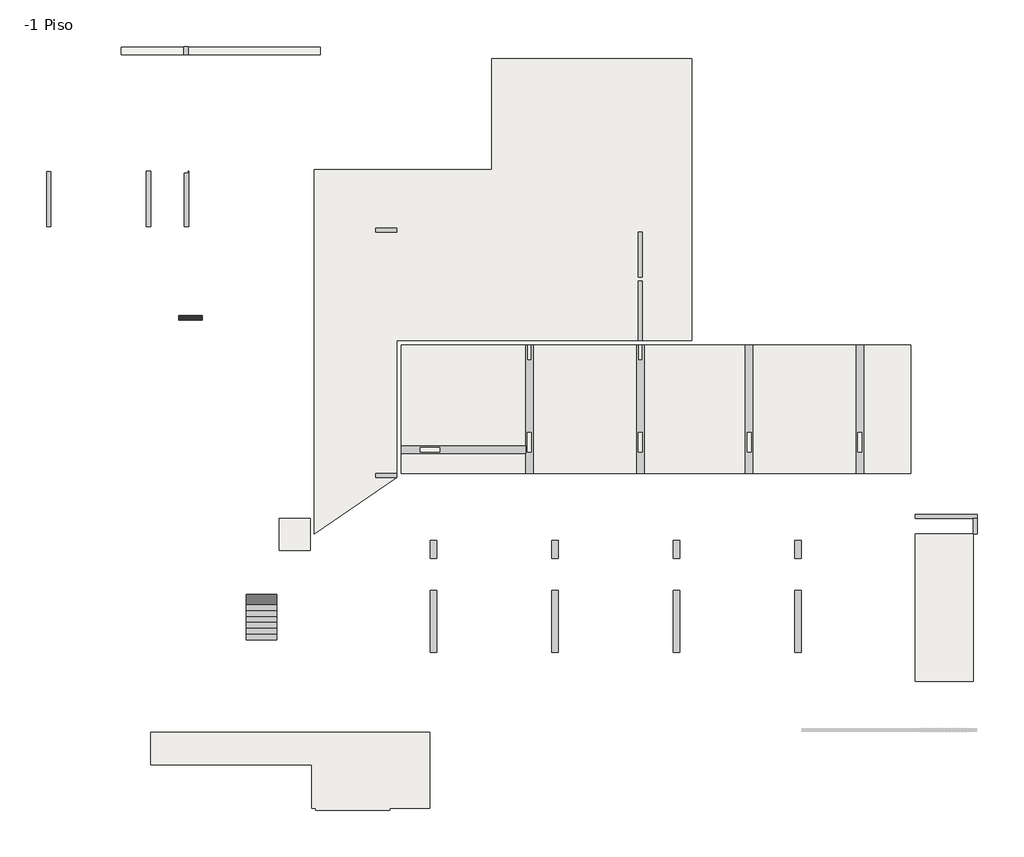
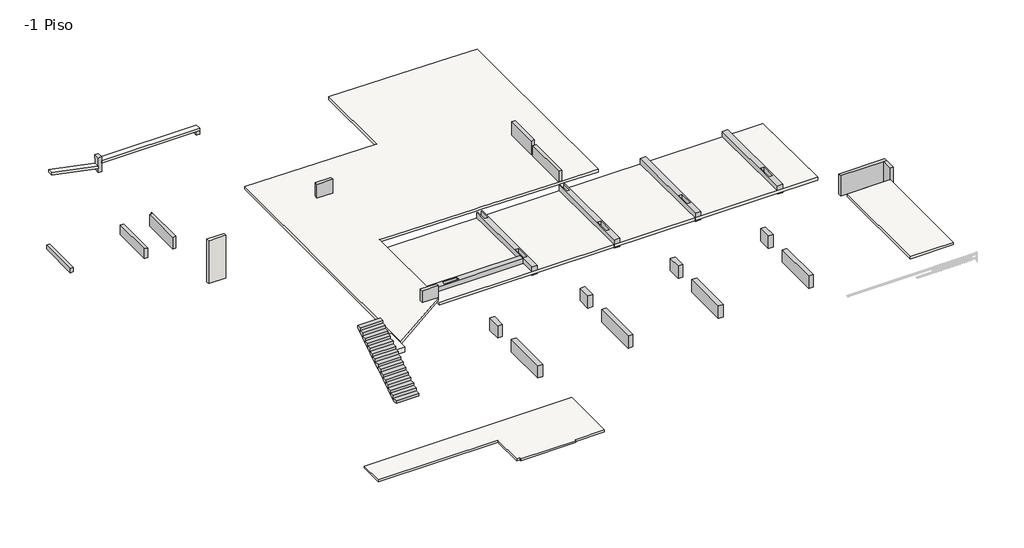
# One storey, part 1 of 2: 25 beams, 7 slabs, 1 stair flight, 1 wall.
"""IFC4 building model written with IfcOpenShell, lengths in millimetres."""

from ifc_helpers import new_model, si_unit, frame, origin, place, context, project, spatial, polyline, outline, extrude, faceted_brep, element, save

model = new_model("IFC4")

# Units and contexts
model_context = context("Model", 3, world=origin())
ifc_project = project(units=[si_unit("LENGTHUNIT", "METRE", prefix="MILLI")], contexts=[model_context])

# Site, building, storey
site = spatial("IfcSite", under=ifc_project)
building = spatial("IfcBuilding", under=site)
storey = spatial("IfcBuildingStorey", under=building, Name="-1 Piso", Elevation=-670.0)

# Beams
placement = place(None, origin())
element("IfcBeam", 1, ObjectType="V. 20/135", at=placement, inside=storey, context=model_context, shape_type="Brep", body=[
    faceted_brep([(1994.3087092, -4689.0672499, -1250.0), (1994.3087092, -4689.0672499, 100.0), (1794.3087092, -4689.0672499, 100.0), (-925.6912908, -4689.0672499, 100.0), (-925.6912908, -4689.0672499, -680.22), (-925.6912908, -4689.0672499, -840.2356792), (-925.6912908, -4689.0672499, -1250.0), (1794.3087092, -4689.0672499, -1250.0), (1994.3087092, -4489.0672499, -1250.0), (-925.6912908, -4489.0672499, -1250.0), (1994.3087092, -4489.0672499, 100.0), (-925.6912908, -4489.0672499, 100.0)], [[[0, 1, 2, 3, 4, 5, 6, 7]], [[8, 0, 7, 6, 9]], [[10, 8, 9, 11]], [[1, 10, 11, 3, 2]], [[4, 3, 11, 9, 6, 5]], [[1, 0, 8, 10]]]),
])
element("IfcBeam", 2, ObjectType="V. 20/135", at=placement, inside=storey, context=model_context, shape_type="Brep", body=[
    faceted_brep([(1994.3087092, -5419.0672499, 100.0), (1794.3087092, -5419.0672499, 100.0), (1794.3087092, -5419.0672499, -670.0), (1794.3087092, -5419.0672499, -830.0156792), (1794.3087092, -5419.0672499, -1250.0), (1994.3087092, -5419.0672499, -1250.0), (1994.3087092, -5419.0672499, -670.0), (1994.3087092, -4689.0672499, -1250.0), (1994.3087092, -4689.0672499, 100.0), (1794.3087092, -4689.0672499, -1250.0), (1794.3087092, -4689.0672499, 100.0), (1794.3087092, -4689.0672499, -680.22), (1794.3087092, -4689.0672499, -840.2356792)], [[[0, 1, 2, 3, 4, 5, 6]], [[0, 6, 5, 7, 8]], [[5, 4, 9, 7]], [[4, 3, 2, 1, 10, 11, 12, 9]], [[1, 0, 8, 10]], [[8, 7, 9, 12, 11, 10]]]),
])
element("IfcBeam", 3, ObjectType="V. 20/40", at=placement, inside=storey, context=model_context, shape_type="Brep", body=[
    faceted_brep([(-41405.6912908, 8980.9327501, -420.0), (-41405.6912908, 11575.9327501, -420.0), (-41405.6912908, 11575.9327501, -180.0877413), (-41405.6912908, 11575.9327501, -140.0), (-41405.6912908, 8980.9327501, -140.0), (-41405.6912908, 8980.9327501, -180.0877413), (-41605.6912908, 8980.9327501, -420.0), (-41605.6912908, 11575.9327501, -420.0), (-41605.6912908, 8980.9327501, -140.0), (-41605.6912908, 11575.9327501, -140.0)], [[[0, 1, 2, 3, 4, 5]], [[0, 6, 7, 1]], [[7, 6, 8, 9]], [[6, 0, 5, 4, 8]], [[1, 7, 9, 3, 2]], [[4, 3, 9, 8]]]),
])
element("IfcBeam", 4, ObjectType="V. 20/40", at=placement, inside=storey, context=model_context, shape_type="SweptSolid", body=[
    extrude(outline(polyline([(-28995.6912908, 17405.9327501), (-28795.6912908, 17405.9327501), (-28795.6912908, 17050.9327501), (-28995.6912908, 17050.9327501), (-28995.6912908, 17405.9327501)])), frame((0.0, 0.0, -550.0), z_axis=(0.0, 0.0, 1.0), x_axis=(1.0, 0.0, 0.0)), (0.0, 0.0, 1.0), 240.0),
])
element("IfcBeam", 5, ObjectType="V. 20/72.5", at=placement, inside=storey, context=model_context, shape_type="SweptSolid", body=[
    extrude(outline(polyline([(-100.0, -13695.6912908), (-100.0, -13895.6912908), (-821.7, -13895.6912908), (-823.7, -13695.6912908), (-100.0, -13695.6912908)])), frame((0.0, 3640.9327501, 0.0), z_axis=(0.0, 1.0, 0.0), x_axis=(0.0, 0.0, 1.0)), (0.0, 0.0, 1.0), 2795.0),
])
element("IfcBeam", 6, ObjectType="V. 20/78.5", at=placement, inside=storey, context=model_context, shape_type="Brep", body=[
    faceted_brep([(-34955.6912908, 11600.9327501, -1100.0), (-34955.6912908, 11600.9327501, -312.0), (-34955.6912908, 8980.9327501, -312.0), (-34955.6912908, 8980.9327501, -1100.0), (-35155.6912908, 11500.9327501, -1100.0), (-34975.6912908, 11500.9327501, -1100.0), (-34975.6912908, 11600.9327501, -1100.0), (-35155.6912908, 8980.9327501, -1100.0), (-35155.6912908, 8980.9327501, -312.0), (-35155.6912908, 11500.9327501, -312.0), (-35155.6912908, 11500.9327501, -460.0), (-35155.6912908, 8980.9327501, -460.0), (-34975.6912908, 11600.9327501, -312.0), (-34975.6912908, 11500.9327501, -312.0)], [[[0, 1, 2, 3]], [[4, 5, 6, 0, 3, 7]], [[8, 9, 10, 4, 7, 11]], [[8, 2, 1, 12, 13, 9]], [[2, 8, 11, 7, 3]], [[13, 5, 4, 10, 9]], [[5, 13, 12, 6]], [[1, 0, 6, 12]]]),
])
element("IfcBeam", 7, ObjectType="V. 20/80", at=placement, inside=storey, context=model_context, shape_type="SweptSolid", body=[
    extrude(outline(polyline([(-1100.0, -36935.6912908), (-1100.0, -36735.6912908), (-460.2877413, -36735.6912908), (-448.2877413, -36935.6912908), (-1100.0, -36935.6912908)])), frame((0.0, 8980.9327501, 0.0), z_axis=(0.0, 1.0, 0.0), x_axis=(0.0, 0.0, 1.0)), (0.0, 0.0, 1.0), 2620.0),
])
element("IfcBeam", 8, ObjectType="V. 20/92.5", at=placement, inside=storey, context=model_context, shape_type="SweptSolid", body=[
    extrude(outline(polyline([(-823.7, -13695.6912908), (100.0, -13695.6912908), (100.0, -13895.6912908), (-821.7, -13895.6912908), (-823.7, -13695.6912908)])), frame((0.0, 6635.9327501, 0.0), z_axis=(0.0, 1.0, 0.0), x_axis=(0.0, 0.0, 1.0)), (0.0, 0.0, 1.0), 2095.0),
])
element("IfcBeam", 9, ObjectType="V. 20/97", at=placement, inside=storey, context=model_context, shape_type="Brep", body=[
    faceted_brep([(-35175.6912908, 17050.9327501, -461.44), (-35175.6912908, 17050.9327501, 100.0), (-35175.6912908, 17430.9327501, 100.0), (-35175.6912908, 17430.9327501, -20.0), (-35175.6912908, 17430.9327501, -150.0), (-35175.6912908, 17405.9327501, -150.0), (-35175.6912908, 17405.9327501, -461.86), (-35175.6912908, 17405.9327501, -625.0916832), (-35175.6912908, 17405.9327501, -870.0), (-35175.6912908, 17050.9327501, -870.0), (-35175.6912908, 17050.9327501, -625.0916832), (-35175.6912908, 17050.9327501, -461.86), (-34975.6912908, 17050.9327501, -870.0), (-34975.6912908, 17405.9327501, -870.0), (-34975.6912908, 17050.9327501, 100.0), (-34975.6912908, 17050.9327501, -150.0), (-34975.6912908, 17050.9327501, -310.0), (-34975.6912908, 17405.9327501, -310.0), (-34975.6912908, 17405.9327501, -150.0), (-34975.6912908, 17430.9327501, -150.0), (-34975.6912908, 17430.9327501, 100.0)], [[[0, 1, 2, 3, 4, 5, 6, 7, 8, 9, 10, 11]], [[12, 9, 8, 13]], [[14, 15, 16, 12, 13, 17, 18, 19, 20]], [[1, 14, 20, 2]], [[1, 0, 11, 10, 9, 12, 16, 15, 14]], [[8, 7, 6, 5, 18, 17, 13]], [[3, 2, 20, 19, 4]], [[18, 5, 4, 19]]]),
])
element("IfcBeam", 10, ObjectType="V. 30/70", at=placement, inside=storey, context=model_context, shape_type="Brep", body=[
    faceted_brep([(-11395.6912908, 11600.9327501, -1450.0), (-11395.6912908, 11900.9327501, -1450.0), (-11395.6912908, 11900.9327501, -1026.7089998), (-11395.6912908, 11600.9327501, -1026.7089998), (-20750.6912908, 11600.9327501, -933.1589998), (-20750.6912908, 11650.9327501, -933.1589998), (-20750.6912908, 11650.9327501, -1450.0), (-20750.6912908, 11600.9327501, -1450.0), (-19170.6912908, 11600.9327501, -1450.0), (-18820.6912908, 11600.9327501, -1450.0), (-13970.6912908, 11600.9327501, -1450.0), (-13620.6912908, 11600.9327501, -1450.0), (-13620.6912908, 11600.9327501, -1004.4589998), (-13970.6912908, 11600.9327501, -1000.9589998), (-18820.6912908, 11600.9327501, -952.4589998), (-19170.6912908, 11600.9327501, -948.9589998), (-18895.7442801, 11650.9327501, -1450.0), (-13445.6912908, 11650.9327501, -1450.0), (-13445.6912908, 11850.9327501, -1450.0), (-18895.7442801, 11850.9327501, -1450.0), (-20750.6912908, 11850.9327501, -1450.0), (-20750.6912908, 11900.9327501, -1450.0), (-20750.6912908, 11900.9327501, -933.1589998), (-20750.6912908, 11850.9327501, -933.1589998), (-18895.7442801, 11850.9327501, -951.7084699), (-13445.6912908, 11850.9327501, -1006.2089998), (-13445.6912908, 11650.9327501, -1006.2089998), (-18895.7442801, 11650.9327501, -951.7084699)], [[[0, 1, 2, 3]], [[4, 5, 6, 7]], [[7, 8, 9, 10, 11, 0, 3, 12, 13, 14, 15, 4]], [[1, 0, 11, 10, 9, 8, 7, 6, 16, 17, 18, 19, 20, 21]], [[1, 21, 22, 2]], [[5, 4, 15, 14, 13, 12, 3, 2, 22, 23, 24, 25, 26, 27]], [[25, 18, 17, 26]], [[26, 17, 16, 6, 5, 27]], [[18, 25, 24, 23, 20, 19]], [[20, 23, 22, 21]]]),
])
element("IfcBeam", 11, ObjectType="V. 30/98", at=placement, inside=storey, context=model_context, shape_type="Brep", body=[
    faceted_brep([(-23325.6912908, -8059.0672499, -1650.0), (-23625.6912908, -8059.0672499, -1650.0), (-23625.6912908, -8059.0672499, -830.0), (-23325.6912908, -8059.0672499, -830.0), (-23625.6912908, -10959.0672499, -1650.0), (-23325.6912908, -10959.0672499, -1650.0), (-23325.6912908, -10959.0672499, -830.0), (-23625.6912908, -10959.0672499, -830.0), (-23625.6912908, -8979.0956987, -830.0)], [[[0, 1, 2, 3]], [[4, 5, 6, 7]], [[5, 0, 3, 6]], [[1, 0, 5, 4]], [[1, 4, 7, 8, 2]], [[3, 2, 8, 7, 6]]]),
])
element("IfcBeam", 12, ObjectType="V. 30/98", at=placement, inside=storey, context=model_context, shape_type="SweptSolid", body=[
    extrude(outline(polyline([(-23325.6912908, -6559.0672499), (-23625.6912908, -6559.0672499), (-23625.6912908, -5719.0672499), (-23325.6912908, -5719.0672499), (-23325.6912908, -6559.0672499)])), frame((0.0, 0.0, -1650.0), z_axis=(0.0, 0.0, 1.0), x_axis=(1.0, 0.0, 0.0)), (0.0, 0.0, 1.0), 820.0),
])
element("IfcBeam", 13, ObjectType="V. 30/98", at=placement, inside=storey, context=model_context, shape_type="SweptSolid", body=[
    extrude(outline(polyline([(-17635.6912908, -6559.0672499), (-17935.6912908, -6559.0672499), (-17935.6912908, -5719.0672499), (-17635.6912908, -5719.0672499), (-17635.6912908, -6559.0672499)])), frame((0.0, 0.0, -1650.0), z_axis=(0.0, 0.0, 1.0), x_axis=(1.0, 0.0, 0.0)), (0.0, 0.0, 1.0), 820.0),
])
element("IfcBeam", 14, ObjectType="V. 30/98", at=placement, inside=storey, context=model_context, shape_type="SweptSolid", body=[
    extrude(outline(polyline([(-17935.6912908, -8059.0672499), (-17635.6912908, -8059.0672499), (-17635.6912908, -10959.0672499), (-17935.6912908, -10959.0672499), (-17935.6912908, -8059.0672499)])), frame((0.0, 0.0, -1650.0), z_axis=(0.0, 0.0, 1.0), x_axis=(1.0, 0.0, 0.0)), (0.0, 0.0, 1.0), 820.0),
])
element("IfcBeam", 15, ObjectType="V. 30/98", at=placement, inside=storey, context=model_context, shape_type="SweptSolid", body=[
    extrude(outline(polyline([(-12245.6912908, -8059.0672499), (-11945.6912908, -8059.0672499), (-11945.6912908, -10959.0672499), (-12245.6912908, -10959.0672499), (-12245.6912908, -8059.0672499)])), frame((0.0, 0.0, -1650.0), z_axis=(0.0, 0.0, 1.0), x_axis=(1.0, 0.0, 0.0)), (0.0, 0.0, 1.0), 820.0),
])
element("IfcBeam", 16, ObjectType="V. 30/98", at=placement, inside=storey, context=model_context, shape_type="SweptSolid", body=[
    extrude(outline(polyline([(-6555.6912908, -8059.0672499), (-6255.6912908, -8059.0672499), (-6255.6912908, -10959.0672499), (-6555.6912908, -10959.0672499), (-6555.6912908, -8059.0672499)])), frame((0.0, 0.0, -1650.0), z_axis=(0.0, 0.0, 1.0), x_axis=(1.0, 0.0, 0.0)), (0.0, 0.0, 1.0), 820.0),
])
element("IfcBeam", 17, ObjectType="V. 30/98", at=placement, inside=storey, context=model_context, shape_type="SweptSolid", body=[
    extrude(outline(polyline([(-11945.6912908, -6559.0672499), (-12245.6912908, -6559.0672499), (-12245.6912908, -5719.0672499), (-11945.6912908, -5719.0672499), (-11945.6912908, -6559.0672499)])), frame((0.0, 0.0, -1650.0), z_axis=(0.0, 0.0, 1.0), x_axis=(1.0, 0.0, 0.0)), (0.0, 0.0, 1.0), 820.0),
])
element("IfcBeam", 18, ObjectType="V. 30/98", at=placement, inside=storey, context=model_context, shape_type="SweptSolid", body=[
    extrude(outline(polyline([(-6255.6912908, -6559.0672499), (-6555.6912908, -6559.0672499), (-6555.6912908, -5719.0672499), (-6255.6912908, -5719.0672499), (-6255.6912908, -6559.0672499)])), frame((0.0, 0.0, -1650.0), z_axis=(0.0, 0.0, 1.0), x_axis=(1.0, 0.0, 0.0)), (0.0, 0.0, 1.0), 820.0),
])
element("IfcBeam", 19, ObjectType="VI. 20/80", at=placement, inside=storey, context=model_context, shape_type="Brep", body=[
    faceted_brep([(-26195.6912908, -2769.0672499, 100.0), (-26195.6912908, -2569.0672499, 100.0), (-26195.6912908, -2569.0672499, -673.69875), (-26195.6912908, -2769.0672499, -673.69875), (-25195.6912908, -2569.0672499, 100.0), (-25195.6912908, -2769.0672499, 100.0), (-25195.6912908, -2769.0672499, -683.69875), (-25195.6912908, -2569.0672499, -683.69875), (-25195.6912908, -2569.0672499, -350.0), (-25195.6912908, -2569.0672499, -200.0)], [[[0, 1, 2, 3]], [[4, 5, 6, 7, 8, 9]], [[1, 4, 9, 8, 7, 2]], [[5, 0, 3, 6]], [[1, 0, 5, 4]], [[3, 2, 7, 6]]]),
])
element("IfcBeam", 20, ObjectType="VI. 20/95", at=placement, inside=storey, context=model_context, shape_type="Brep", body=[
    faceted_brep([(-26195.6912908, 8730.9327501, 230.0), (-26195.6912908, 8930.9327501, 230.0), (-26195.6912908, 8930.9327501, -673.69875), (-26195.6912908, 8730.9327501, -673.69875), (-25195.6912908, 8930.9327501, 230.0), (-25195.6912908, 8730.9327501, 230.0), (-25195.6912908, 8730.9327501, -200.0), (-25195.6912908, 8730.9327501, -350.0), (-25195.6912908, 8730.9327501, -683.69875), (-25195.6912908, 8930.9327501, -683.69875)], [[[0, 1, 2, 3]], [[4, 5, 6, 7, 8, 9]], [[1, 4, 9, 2]], [[5, 0, 3, 8, 7, 6]], [[1, 0, 5, 4]], [[3, 2, 9, 8]]]),
])
element("IfcBeam", 21, ObjectType="VI. 35/55", at=placement, inside=storey, context=model_context, shape_type="Brep", body=[
    faceted_brep([(-18820.6912908, 3440.9327501, -900.0), (-18820.6912908, 3440.9327501, -1450.0), (-18895.6912908, 3440.9327501, -1450.0), (-18895.6912908, 3440.9327501, -900.0), (-18820.6912908, -2569.0672499, -900.0), (-19170.6912908, -2569.0672499, -900.0), (-19170.6912908, -2569.0672499, -1450.0), (-18820.6912908, -2569.0672499, -1450.0), (-19170.6912908, -1634.1017012, -1450.0), (-19170.6912908, -1284.1017012, -1450.0), (-19170.6912908, 3440.9327501, -1450.0), (-19095.6912908, 3440.9327501, -1450.0), (-19095.6912908, 2740.9327501, -1450.0), (-18895.6912908, 2740.9327501, -1450.0), (-19095.6912908, -659.1017012, -1450.0), (-19095.6912908, -1559.1017012, -1450.0), (-18895.6912908, -1559.1017012, -1450.0), (-18895.6912908, -659.1017012, -1450.0), (-19170.6912908, 3440.9327501, -900.0), (-19170.6912908, -1634.1017012, -900.0), (-19170.6912908, -1284.1017012, -900.0), (-18895.6912908, 2740.9327501, -900.0), (-19095.6912908, 2740.9327501, -900.0), (-19095.6912908, 3440.9327501, -900.0), (-19095.6912908, -1559.1017012, -900.0), (-19095.6912908, -659.1017012, -900.0), (-18895.6912908, -659.1017012, -900.0), (-18895.6912908, -1559.1017012, -900.0)], [[[0, 1, 2, 3]], [[4, 5, 6, 7]], [[1, 0, 4, 7]], [[7, 6, 8, 9, 10, 11, 12, 13, 2, 1], [14, 15, 16, 17]], [[18, 10, 9, 8, 6, 5, 19, 20]], [[5, 4, 0, 3, 21, 22, 23, 18, 20, 19], [24, 25, 26, 27]], [[14, 25, 24, 15]], [[16, 27, 26, 17]], [[27, 16, 15, 24]], [[17, 26, 25, 14]], [[22, 12, 11, 23]], [[13, 21, 3, 2]], [[12, 22, 21, 13]], [[10, 18, 23, 11]]]),
])
element("IfcBeam", 22, ObjectType="VI. 35/55", at=placement, inside=storey, context=model_context, shape_type="SweptSolid", body=[
    extrude(outline(polyline([(-13620.6912908, -2569.0672499), (-13970.6912908, -2569.0672499), (-13970.6912908, 3440.9327501), (-13895.6912908, 3440.9327501), (-13895.6912908, 2740.9327501), (-13695.6912908, 2740.9327501), (-13695.6912908, 3440.9327501), (-13620.6912908, 3440.9327501), (-13620.6912908, -2569.0672499)]), holes=[polyline([(-13695.6912908, -1559.1017012), (-13695.6912908, -659.1017012), (-13895.6912908, -659.1017012), (-13895.6912908, -1559.1017012), (-13695.6912908, -1559.1017012)])]), frame((0.0, 0.0, -1450.0), z_axis=(0.0, 0.0, 1.0), x_axis=(1.0, 0.0, 0.0)), (0.0, 0.0, 1.0), 550.0),
])
element("IfcBeam", 23, ObjectType="VI. 35/55", at=placement, inside=storey, context=model_context, shape_type="SweptSolid", body=[
    extrude(outline(polyline([(-8870.6912908, 3440.9327501), (-8520.6912908, 3440.9327501), (-8520.6912908, -2569.0672499), (-8870.6912908, -2569.0672499), (-8870.6912908, 3440.9327501)]), holes=[polyline([(-8595.6912908, -1559.1017012), (-8595.6912908, -659.1017012), (-8795.6912908, -659.1017012), (-8795.6912908, -1559.1017012), (-8595.6912908, -1559.1017012)])]), frame((0.0, 0.0, -1450.0), z_axis=(0.0, 0.0, 1.0), x_axis=(1.0, 0.0, 0.0)), (0.0, 0.0, 1.0), 550.0),
])
element("IfcBeam", 24, ObjectType="VI. 35/55", at=placement, inside=storey, context=model_context, shape_type="SweptSolid", body=[
    extrude(outline(polyline([(-3690.6912908, 3440.9327501), (-3340.6912908, 3440.9327501), (-3340.6912908, -2569.0672499), (-3690.6912908, -2569.0672499), (-3690.6912908, 3440.9327501)]), holes=[polyline([(-3415.6912908, -1559.1017012), (-3415.6912908, -659.1017012), (-3615.6912908, -659.1017012), (-3615.6912908, -1559.1017012), (-3415.6912908, -1559.1017012)])]), frame((0.0, 0.0, -1450.0), z_axis=(0.0, 0.0, 1.0), x_axis=(1.0, 0.0, 0.0)), (0.0, 0.0, 1.0), 550.0),
])
element("IfcBeam", 25, ObjectType="VI. 35/55", at=placement, inside=storey, context=model_context, shape_type="SweptSolid", body=[
    extrude(outline(polyline([(-19170.6912908, -1284.1017012), (-19170.6912908, -1634.1017012), (-24995.6912908, -1634.1017012), (-24995.6912908, -1284.1017012), (-19170.6912908, -1284.1017012)]), holes=[polyline([(-24095.725742, -1559.1017012), (-23195.725742, -1559.1017012), (-23195.725742, -1359.1017012), (-24095.725742, -1359.1017012), (-24095.725742, -1559.1017012)])]), frame((0.0, 0.0, -1450.0), z_axis=(0.0, 0.0, 1.0), x_axis=(1.0, 0.0, 0.0)), (0.0, 0.0, 1.0), 550.0),
])

# Slabs
element("IfcSlab", 26, at=placement, inside=storey, context=model_context, shape_type="SweptSolid", body=[
    extrude(outline(polyline([(-925.6912908, -5419.0672499), (1794.3087092, -5419.0672499), (1794.3087092, -12319.0672499), (-925.6912908, -12319.0672499), (-925.6912908, -5419.0672499)])), frame((0.0, 0.0, -830.0), z_axis=(0.0, 0.0, 1.0), x_axis=(1.0, 0.0, 0.0)), (0.0, 0.0, 1.0), 160.0),
])
element("IfcSlab", 27, at=placement, inside=storey, context=model_context, shape_type="Brep", body=[
    faceted_brep([(-23650.6912908, -14699.0672499, -790.0), (-23650.6912908, -18269.0672499, -790.0), (-25535.6912908, -18269.0672499, -790.0), (-25535.6912908, -18369.0672499, -790.0), (-28990.6912908, -18369.0672499, -790.0), (-28990.6912908, -18269.0672499, -790.0), (-29190.6912908, -18269.0672499, -790.0), (-29190.6912908, -16219.0672499, -790.0), (-36735.6912908, -16219.0672499, -790.0), (-36735.6912908, -14699.0672499, -790.0), (-23650.6912908, -14699.0672499, -670.0), (-36735.6912908, -14699.0672499, -670.0), (-36735.6912908, -16219.0672499, -670.0), (-29190.6912908, -16219.0672499, -670.0), (-29190.6912908, -18269.0672499, -670.0), (-28990.6912908, -18269.0672499, -670.0), (-28990.6912908, -18369.0672499, -670.0), (-25535.6912908, -18369.0672499, -670.0), (-25535.6912908, -18269.0672499, -670.0), (-23650.6912908, -18269.0672499, -670.0), (-23650.6912908, -17759.0672499, -670.0), (-23650.6912908, -16879.0672499, -670.0), (-23650.6912908, -16289.0672499, -670.0)], [[[0, 1, 2, 3, 4, 5, 6, 7, 8, 9]], [[10, 11, 12, 13, 14, 15, 16, 17, 18, 19, 20, 21, 22]], [[1, 0, 10, 22, 21, 20, 19]], [[2, 1, 19, 18]], [[3, 2, 18, 17]], [[4, 3, 17, 16]], [[5, 4, 16, 15]], [[6, 5, 15, 14]], [[7, 6, 14, 13]], [[8, 7, 13, 12]], [[9, 8, 12, 11]], [[0, 9, 11, 10]]]),
])
element("IfcSlab", 28, at=placement, inside=storey, context=model_context, shape_type="Brep", body=[
    faceted_brep([(-28795.6912908, 17405.9327501, -310.0), (-28795.6912908, 17050.9327501, -310.0), (-28995.6912908, 17050.9327501, -310.0), (-34975.6912908, 17050.9327501, -310.0), (-34975.6912908, 17405.9327501, -310.0), (-28995.6912908, 17405.9327501, -310.0), (-28795.6912908, 17405.9327501, -150.0), (-34975.6912908, 17405.9327501, -150.0), (-34975.6912908, 17050.9327501, -150.0), (-28795.6912908, 17050.9327501, -150.0)], [[[0, 1, 2, 3, 4, 5]], [[6, 7, 8, 9]], [[1, 0, 6, 9]], [[3, 2, 1, 9, 8]], [[4, 3, 8, 7]], [[0, 5, 4, 7, 6]]]),
])
element("IfcSlab", 29, ObjectType="LHA16", at=placement, inside=storey, context=model_context, shape_type="SweptSolid", body=[
    extrude(outline(polyline([(-33.2316832, -38105.6912908), (-625.0916832, -35175.6912908), (-461.86, -35175.6912908), (130.0, -38105.6912908), (-33.2316832, -38105.6912908)])), frame((0.0, 17050.9327501, 0.0), z_axis=(0.0, 1.0, 0.0), x_axis=(0.0, 0.0, 1.0)), (0.0, 0.0, 1.0), 355.0),
])
element("IfcSlab", 30, ObjectType="LHA18", at=placement, inside=storey, context=model_context, shape_type="Brep", body=[
    faceted_brep([(-29065.6912908, 11650.9327501, -850.0089998), (-25195.6912908, 11650.9327501, -888.7089998), (-24995.6912908, 11650.9327501, -890.7089998), (-20750.6912908, 11650.9327501, -933.1589998), (-20750.6912908, 11850.9327501, -933.1589998), (-20750.6912908, 11900.9327501, -933.1589998), (-20750.6912908, 16850.9327501, -933.1589998), (-11395.6912908, 16850.9327501, -1026.7089998), (-11395.6912908, 11900.9327501, -1026.7089998), (-11395.6912908, 11600.9327501, -1026.7089998), (-11395.6912908, 6635.9327501, -1026.7089998), (-11395.6912908, 6435.9327501, -1026.7089998), (-11395.6912908, 3640.9327501, -1026.7089998), (-13620.6912908, 3640.9327501, -1004.4589998), (-13970.6912908, 3640.9327501, -1000.9589998), (-18820.6912908, 3640.9327501, -952.4589998), (-19170.6912908, 3640.9327501, -948.9589998), (-24995.6912908, 3640.9327501, -890.7089998), (-25195.6912908, 3640.9327501, -888.7089998), (-25195.6912908, -2769.0672499, -888.7089998), (-29065.6912908, -5419.0672499, -850.0089998), (-29065.6912908, 11650.9327501, -670.0), (-29065.6912908, -5419.0672499, -670.0), (-25195.6912908, -2769.0672499, -708.7), (-25195.6912908, 3640.9327501, -708.7), (-24995.6912908, 3640.9327501, -710.7), (-19170.6912908, 3640.9327501, -768.95), (-18820.6912908, 3640.9327501, -772.45), (-13895.6912908, 3640.9327501, -821.7), (-13695.6912908, 3640.9327501, -823.7), (-11395.6912908, 3640.9327501, -846.7), (-11395.6912908, 6435.9327501, -846.7), (-11395.6912908, 6635.9327501, -846.7), (-11395.6912908, 16850.9327501, -846.7), (-13695.6912908, 16850.9327501, -823.7), (-13895.6912908, 16850.9327501, -821.7), (-17130.6912908, 16850.9327501, -789.35), (-17330.6912908, 16850.9327501, -787.35), (-20750.6912908, 16850.9327501, -753.15), (-20750.6912908, 11650.9327501, -753.15)], [[[0, 1, 2, 3, 4, 5, 6, 7, 8, 9, 10, 11, 12, 13, 14, 15, 16, 17, 18, 19, 20]], [[21, 22, 23, 24, 25, 26, 27, 28, 29, 30, 31, 32, 33, 34, 35, 36, 37, 38, 39]], [[3, 2, 1, 0, 21, 39]], [[6, 5, 4, 3, 39, 38]], [[7, 6, 38, 37, 36, 35, 34, 33]], [[12, 11, 10, 9, 8, 7, 33, 32, 31, 30]], [[18, 17, 16, 15, 14, 13, 12, 30, 29, 28, 27, 26, 25, 24]], [[19, 18, 24, 23]], [[20, 19, 23, 22]], [[0, 20, 22, 21]]]),
])
element("IfcSlab", 31, ObjectType="LHA18", at=placement, inside=storey, context=model_context, shape_type="SweptSolid", body=[
    extrude(outline(polyline([(3440.9327501, -1450.1089998), (-2569.0672499, -1390.0089998), (-2569.0672499, -1210.0), (3440.9327501, -1270.1), (3440.9327501, -1450.1089998)])), frame((-24995.6912908, 0.0, 0.0), z_axis=(1.0, 0.0, 0.0), x_axis=(0.0, 1.0, 0.0)), (0.0, 0.0, 1.0), 23870.0),
])
element("IfcSlab", 32, ObjectType="LHA33.75", at=placement, inside=storey, context=model_context, shape_type="Brep", body=[
    faceted_brep([(-29265.6912908, -4689.0672499, -830.0), (-29265.6912908, -6184.0672499, -830.0), (-30695.6912908, -6184.0672499, -830.0), (-30695.6912908, -4689.0672499, -830.0), (-29265.6912908, -4689.0672499, -492.5), (-30695.6912908, -4689.0672499, -492.5), (-30695.6912908, -6184.0672499, -492.5), (-29265.6912908, -6184.0672499, -492.5), (-29265.6912908, -4689.0672499, -670.0)], [[[0, 1, 2, 3]], [[4, 5, 6, 7]], [[1, 0, 8, 4, 7]], [[2, 1, 7, 6]], [[3, 2, 6, 5]], [[0, 3, 5, 4, 8]]]),
])

# Stair flight
element("IfcStairFlight", 33, at=placement, inside=storey, context=model_context, shape_type="Brep", body=[
    faceted_brep([(-32245.6912908, -10104.0672499, -492.5), (-32245.6912908, -10384.0672499, -492.5), (-30815.6912908, -10384.0672499, -492.5), (-30815.6912908, -10104.0672499, -492.5), (-32245.6912908, -10104.0672499, -646.4205179), (-32245.6912908, -10141.2630527, -670.0), (-32245.6912908, -10384.0672499, -670.0), (-30815.6912908, -10384.0672499, -670.0), (-30815.6912908, -10141.2630527, -670.0), (-30815.6912908, -10104.0672499, -646.4205179), (-32245.6912908, -9824.0672499, -315.0), (-32245.6912908, -10104.0672499, -315.0), (-30815.6912908, -10104.0672499, -315.0), (-30815.6912908, -9824.0672499, -315.0), (-32245.6912908, -9824.0672499, -468.9205179), (-30815.6912908, -9824.0672499, -468.9205179), (-32245.6912908, -9544.0672499, -137.5), (-32245.6912908, -9824.0672499, -137.5), (-30815.6912908, -9824.0672499, -137.5), (-30815.6912908, -9544.0672499, -137.5), (-32245.6912908, -9544.0672499, -291.4205179), (-30815.6912908, -9544.0672499, -291.4205179), (-32245.6912908, -9264.0672499, 40.0), (-32245.6912908, -9544.0672499, 40.0), (-30815.6912908, -9544.0672499, 40.0), (-30815.6912908, -9264.0672499, 40.0), (-32245.6912908, -9264.0672499, -113.9205179), (-30815.6912908, -9264.0672499, -113.9205179), (-32245.6912908, -8984.0672499, 217.5), (-32245.6912908, -9264.0672499, 217.5), (-30815.6912908, -9264.0672499, 217.5), (-30815.6912908, -8984.0672499, 217.5), (-32245.6912908, -8984.0672499, 63.5794821), (-30815.6912908, -8984.0672499, 63.5794821), (-32245.6912908, -8704.0672499, 395.0), (-32245.6912908, -8984.0672499, 395.0), (-30815.6912908, -8984.0672499, 395.0), (-30815.6912908, -8704.0672499, 395.0), (-32245.6912908, -8704.0672499, 241.0794821), (-30815.6912908, -8704.0672499, 241.0794821), (-32245.6912908, -8424.0672499, 572.5), (-32245.6912908, -8704.0672499, 572.5), (-30815.6912908, -8704.0672499, 572.5), (-30815.6912908, -8424.0672499, 572.5), (-32245.6912908, -8424.0672499, 418.5794821), (-30815.6912908, -8424.0672499, 418.5794821), (-32245.6912908, -8144.0672499, 750.0), (-32245.6912908, -8424.0672499, 750.0), (-30815.6912908, -8424.0672499, 750.0), (-30815.6912908, -8144.0672499, 750.0), (-32245.6912908, -8144.0672499, 596.0794821), (-30815.6912908, -8144.0672499, 596.0794821), (-32245.6912908, -7864.0672499, 927.5), (-32245.6912908, -8144.0672499, 927.5), (-30815.6912908, -8144.0672499, 927.5), (-30815.6912908, -7864.0672499, 927.5), (-32245.6912908, -7864.0672499, 773.5794821), (-30815.6912908, -7864.0672499, 773.5794821), (-32245.6912908, -7584.0672499, 1105.0), (-32245.6912908, -7864.0672499, 1105.0), (-30815.6912908, -7864.0672499, 1105.0), (-30815.6912908, -7584.0672499, 1105.0), (-32245.6912908, -7584.0672499, 951.0794821), (-30815.6912908, -7584.0672499, 951.0794821), (-32245.6912908, -7304.0672499, 1282.5), (-32245.6912908, -7584.0672499, 1282.5), (-30815.6912908, -7584.0672499, 1282.5), (-30815.6912908, -7304.0672499, 1282.5), (-32245.6912908, -7304.0672499, 1128.5794821), (-30815.6912908, -7304.0672499, 1128.5794821), (-32245.6912908, -7024.0672499, 1306.0794821), (-32245.6912908, -6744.0672499, 1483.5794821), (-32245.6912908, -6464.0672499, 1661.0794821), (-32245.6912908, -6184.0672499, 1838.5794821), (-30815.6912908, -6184.0672499, 1838.5794821), (-30815.6912908, -6464.0672499, 1661.0794821), (-30815.6912908, -6744.0672499, 1483.5794821), (-30815.6912908, -7024.0672499, 1306.0794821), (-32245.6912908, -7024.0672499, 1460.0), (-32245.6912908, -7304.0672499, 1460.0), (-30815.6912908, -7304.0672499, 1460.0), (-30815.6912908, -7024.0672499, 1460.0), (-32245.6912908, -6744.0672499, 1637.5), (-32245.6912908, -7024.0672499, 1637.5), (-30815.6912908, -7024.0672499, 1637.5), (-30815.6912908, -6744.0672499, 1637.5), (-32245.6912908, -6464.0672499, 1815.0), (-32245.6912908, -6744.0672499, 1815.0), (-30815.6912908, -6744.0672499, 1815.0), (-30815.6912908, -6464.0672499, 1815.0), (-32245.6912908, -6184.0672499, 1992.5), (-32245.6912908, -6464.0672499, 1992.5), (-30815.6912908, -6464.0672499, 1992.5), (-30815.6912908, -6184.0672499, 1992.5)], [[[0, 1, 2, 3]], [[1, 0, 4, 5, 6]], [[2, 1, 6, 7]], [[3, 2, 7, 8, 9]], [[10, 11, 12, 13]], [[11, 10, 14, 4, 0]], [[0, 3, 12, 11]], [[13, 12, 3, 9, 15]], [[16, 17, 18, 19]], [[17, 16, 20, 14, 10]], [[10, 13, 18, 17]], [[19, 18, 13, 15, 21]], [[22, 23, 24, 25]], [[23, 22, 26, 20, 16]], [[16, 19, 24, 23]], [[25, 24, 19, 21, 27]], [[28, 29, 30, 31]], [[29, 28, 32, 26, 22]], [[22, 25, 30, 29]], [[31, 30, 25, 27, 33]], [[34, 35, 36, 37]], [[35, 34, 38, 32, 28]], [[28, 31, 36, 35]], [[37, 36, 31, 33, 39]], [[40, 41, 42, 43]], [[41, 40, 44, 38, 34]], [[34, 37, 42, 41]], [[43, 42, 37, 39, 45]], [[46, 47, 48, 49]], [[47, 46, 50, 44, 40]], [[40, 43, 48, 47]], [[49, 48, 43, 45, 51]], [[52, 53, 54, 55]], [[53, 52, 56, 50, 46]], [[46, 49, 54, 53]], [[55, 54, 49, 51, 57]], [[58, 59, 60, 61]], [[59, 58, 62, 56, 52]], [[52, 55, 60, 59]], [[61, 60, 55, 57, 63]], [[64, 65, 66, 67]], [[65, 64, 68, 62, 58]], [[58, 61, 66, 65]], [[67, 66, 61, 63, 69]], [[7, 6, 5, 8]], [[8, 5, 4, 14, 20, 26, 32, 38, 44, 50, 56, 62, 68, 70, 71, 72, 73, 74, 75, 76, 77, 69, 63, 57, 51, 45, 39, 33, 27, 21, 15, 9]], [[78, 79, 80, 81]], [[79, 78, 70, 68, 64]], [[64, 67, 80, 79]], [[81, 80, 67, 69, 77]], [[82, 83, 84, 85]], [[83, 82, 71, 70, 78]], [[78, 81, 84, 83]], [[85, 84, 81, 77, 76]], [[86, 87, 88, 89]], [[87, 86, 72, 71, 82]], [[82, 85, 88, 87]], [[89, 88, 85, 76, 75]], [[90, 91, 92, 93]], [[91, 90, 73, 72, 86]], [[86, 89, 92, 91]], [[93, 92, 89, 75, 74]], [[90, 93, 74, 73]]]),
])

# Wall
element("IfcWall", 34, ObjectType="MHA20", at=placement, inside=storey, context=model_context, shape_type="Brep", body=[
    faceted_brep([(-35405.6912908, 4620.9327501, -670.0), (-34305.6912908, 4620.9327501, -670.0), (-34305.6912908, 4620.9327501, 2170.0), (-35405.6912908, 4620.9327501, 2170.0), (-35405.6912908, 4820.9327501, -670.0), (-35405.6912908, 4820.9327501, 2170.0), (-34605.6912908, 4820.9327501, 2170.0), (-34305.6912908, 4820.9327501, 2170.0), (-34305.6912908, 4820.9327501, -670.0), (-34605.6912908, 4820.9327501, -670.0)], [[[0, 1, 2, 3]], [[4, 5, 6, 7, 8, 9]], [[1, 0, 4, 9, 8]], [[3, 2, 7, 6, 5]], [[0, 3, 5, 4]], [[2, 1, 8, 7]]]),
])

save(model, "model.ifc")
